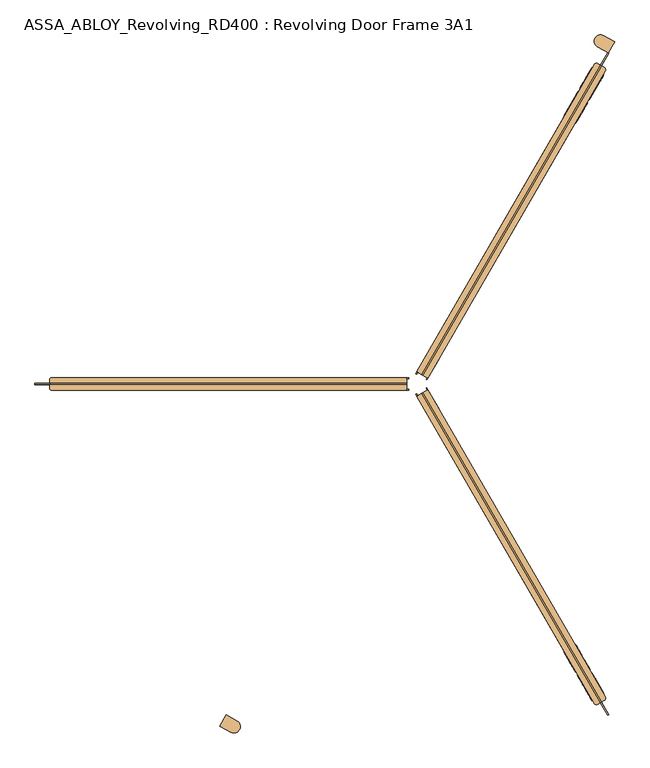
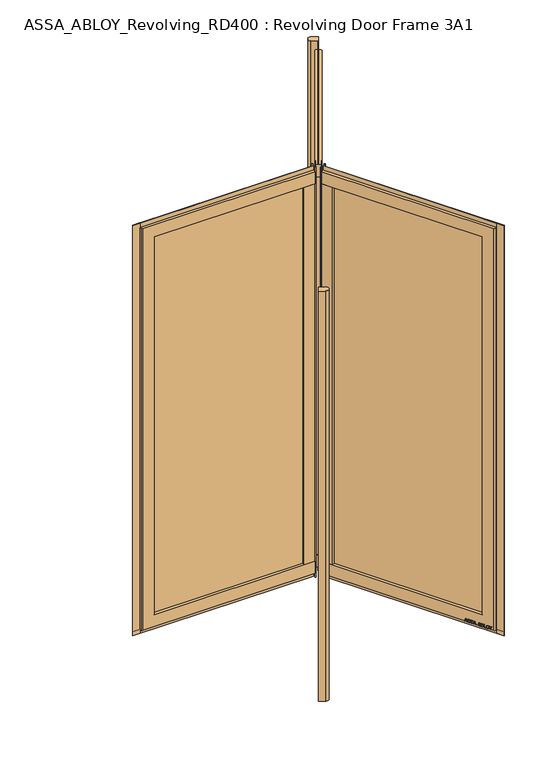
"""IFC4 building model written with IfcOpenShell, lengths in millimetres: door geometry, ASSA_ABLOY_Revolving_RD400 : Revolving Door Frame 3A1."""

from ifc_helpers import new_model, si_unit, point, frame, frame_2d, origin, origin_with_axes, origin_2d, place, context, project, spatial, polyline, circle_curve, trimmed, segment, composite_curve, outline, extrude, source, transform, mapped, element, save
from ifc_brep_helpers import plane_surface, cylinder_surface, advanced_brep


def assa_abloy_revolving_rd400_revolving_door_frame_3a1_4a8f42af(model_context):
    return source(origin(), model_context, "Body", "SolidModel", [
        extrude(outline(composite_curve([segment(trimmed(circle_curve(origin_2d(), 1200.0), [point((-600.0, -1039.2304845))], [point((-565.0255579, -1058.6529738))], True, "CARTESIAN"), True, "CONTINUOUS"), segment(trimmed(circle_curve(frame_2d((-575.5902563, -1075.6598792)), 20.0211809), [point((-565.0255579, -1058.6529738))], [point((-585.0363192, -1093.3126292))], False, "CARTESIAN"), True, "CONTINUOUS"), segment(trimmed(circle_curve(origin_2d(), 1240.0), [point((-585.0363192, -1093.3126292))], [point((-620.0, -1073.8715007))], False, "CARTESIAN"), True, "CONTINUOUS"), segment(polyline([(-620.0, -1073.8715007), (-600.0, -1039.2304845)]), True, "CONTINUOUS")], self_intersect=False)), origin_with_axes(), (0.0, 0.0, 1.0), 2800.0),
        extrude(outline(composite_curve([segment(trimmed(circle_curve(origin_2d(), 1200.0), [point((600.0, 1039.2304845))], [point((565.0255579, 1058.6529738))], True, "CARTESIAN"), True, "CONTINUOUS"), segment(trimmed(circle_curve(frame_2d((575.5902563, 1075.6598792)), 20.0211809), [point((565.0255579, 1058.6529738))], [point((585.0363192, 1093.3126292))], False, "CARTESIAN"), True, "CONTINUOUS"), segment(trimmed(circle_curve(origin_2d(), 1240.0), [point((585.0363192, 1093.3126292))], [point((620.0, 1073.8715007))], False, "CARTESIAN"), True, "CONTINUOUS"), segment(polyline([(620.0, 1073.8715007), (600.0, 1039.2304845)]), True, "CONTINUOUS")], self_intersect=False)), origin_with_axes(), (0.0, 0.0, 1.0), 2800.0),
        advanced_brep(
        [(-0.8205081, -38.5788383, 28.0), (33.8205081, -18.5788383, 28.0), (590.3205081, -982.4651127, 28.0), (587.3923048, -993.393316, 28.0), (566.6076952, -1005.393316, 28.0), (555.6794919, -1002.4651127, 28.0), (-0.8205081, -38.5788383, 110.0), (518.6794919, -938.3792329, 110.0), (553.3205081, -918.3792329, 110.0), (33.8205081, -18.5788383, 110.0), (33.8205081, -18.5788383, 2689.0), (-0.8205081, -38.5788383, 2689.0), (-0.8205081, -38.5788383, 2771.0), (33.8205081, -18.5788383, 2771.0), (553.3205081, -918.3792329, 2689.0), (518.6794919, -938.3792329, 2689.0), (587.3923048, -993.393316, 2771.0), (566.6076952, -1005.393316, 2771.0), (555.6794919, -1002.4651127, 2771.0), (590.3205081, -982.4651127, 2771.0)],
        [
            (0, 1),
            (1, 2),
            (2, 3, circle_curve(frame((583.3923048, -986.4651127, 28.0), z_axis=(0.0, 0.0, -1.0), x_axis=(-0.8660254037844367, -0.5000000000000033, 0.0)), 8.0)),
            (3, 4),
            (4, 5, circle_curve(frame((562.6076952, -998.4651127, 28.0), z_axis=(0.0, 0.0, -1.0), x_axis=(-0.8660254037844367, -0.5000000000000033, 0.0)), 8.0)),
            (5, 0),
            (6, 7),
            (7, 8),
            (8, 9),
            (9, 6),
            (10, 11),
            (11, 12),
            (12, 13),
            (13, 10),
            (10, 14),
            (14, 15),
            (15, 11),
            (7, 15),
            (14, 8),
            (16, 17),
            (17, 4),
            (3, 16),
            (17, 18, circle_curve(frame((562.6076952, -998.4651127, 2771.0), z_axis=(0.0, 0.0, -1.0), x_axis=(-0.8660254037844367, -0.5000000000000033, 0.0)), 8.0)),
            (18, 5),
            (19, 16, circle_curve(frame((583.3923048, -986.4651127, 2771.0), z_axis=(0.0, 0.0, -1.0), x_axis=(-0.8660254037844367, -0.5000000000000033, 0.0)), 8.0)),
            (2, 19),
            (6, 0),
            (18, 12),
            (1, 9),
            (13, 19),
        ],
        [
            plane_surface(frame((518.6794919, -938.3792329, 28.0), z_axis=(0.0, 0.0, -1.0), x_axis=(-0.5000000000000033, 0.8660254037844367, 0.0))),
            plane_surface(frame((553.3205081, -918.3792329, 110.0), z_axis=(0.0, 0.0, 1.0), x_axis=(-0.5000000000000033, 0.8660254037844367, 0.0))),
            plane_surface(frame((16.5, -28.5788383, 2771.0), z_axis=(-0.5000000000000033, 0.8660254037844367, 0.0), x_axis=(-0.8660254037844367, -0.5000000000000033, 0.0))),
            plane_surface(frame((33.8205081, -18.5788383, 2689.0), z_axis=(0.0, 0.0, -1.0), x_axis=(0.5000000000000033, -0.8660254037844367, 0.0))),
            plane_surface(frame((553.3205081, -918.3792329, 2771.0), z_axis=(-0.5000000000000033, 0.8660254037844367, 0.0), x_axis=(0.0, 0.0, -1.0))),
            plane_surface(frame((566.6076952, -1005.393316, 2771.0), z_axis=(0.5000000000000033, -0.8660254037844367, 0.0), x_axis=(0.0, 0.0, -1.0))),
            cylinder_surface(frame((562.6076952, -998.4651127, 2771.0), z_axis=(0.0, 0.0, 1.0), x_axis=(-0.8660254037844367, -0.5000000000000033, 0.0)), 8.0),
            cylinder_surface(frame((583.3923048, -986.4651127, 2771.0), z_axis=(0.0, 0.0, 1.0), x_axis=(-0.8660254037844367, -0.5000000000000033, 0.0)), 8.0),
            plane_surface(frame((518.6794919, -938.3792329, 110.0), z_axis=(-0.8660254037844367, -0.5000000000000033, 0.0), x_axis=(-0.5000000000000033, 0.8660254037844367, 0.0))),
            plane_surface(frame((553.3205081, -918.3792329, 28.0), z_axis=(0.8660254037844367, 0.5000000000000033, 0.0), x_axis=(-0.5000000000000033, 0.8660254037844367, 0.0))),
            plane_surface(frame((16.5, -28.5788383, 28.0), z_axis=(-0.5000000000000033, 0.8660254037844367, 0.0), x_axis=(-0.8660254037844367, -0.5000000000000033, 0.0))),
            plane_surface(frame((577.0, -999.393316, 2771.0), z_axis=(0.0, 0.0, 1.0), x_axis=(-0.8660254037844367, -0.5000000000000033, 0.0))),
        ],
        [
            (0, [[1, 2, 3, 4, 5, 6]]),
            (1, [[7, 8, 9, 10]]),
            (2, [[11, 12, 13, 14]]),
            (3, [[-11, 15, 16, 17]]),
            (4, [[-8, 18, -16, 19]]),
            (5, [[20, 21, -4, 22]]),
            (6, [[23, 24, -5, -21]]),
            (7, [[25, -22, -3, 26]]),
            (8, [[-7, 27, -6, -24, 28, -12, -17, -18]]),
            (9, [[29, -9, -19, -15, -14, 30, -26, -2]]),
            (10, [[-27, -10, -29, -1]]),
            (11, [[-28, -23, -20, -25, -30, -13]]),
        ],
    ),
        extrude(outline(polyline([(31.2224319, -20.0788383), (27.7224319, -14.0166605), (30.3205081, -12.5166605), (33.8205081, -18.5788383), (31.2224319, -20.0788383)])), origin_with_axes(), (0.0, 0.0, 1.0), 2800.0),
        extrude(outline(polyline([(68.8205081, -79.2006166), (34.1794919, -99.2006166), (-0.8205081, -38.5788383), (33.8205081, -18.5788383), (68.8205081, -79.2006166)])), frame((0.0, 0.0, 110.0), z_axis=(0.0, 0.0, 1.0), x_axis=(1.0, 0.0, 0.0)), (0.0, 0.0, 1.0), 2579.0),
        extrude(outline(polyline([(598.4844586, -1040.1054828), (575.4844586, -1000.2683142), (578.5155414, -998.5183177), (601.5155414, -1038.3554863), (598.4844586, -1040.1054828)])), origin_with_axes(), (0.0, 0.0, 1.0), 2800.0),
        extrude(outline(polyline([(598.4844586, -1040.1054828), (14.9844586, -29.4538366), (18.0155414, -27.7038401), (601.5155414, -1038.3554863), (598.4844586, -1040.1054828)])), frame((0.0, 0.0, 2770.0), z_axis=(0.0, 0.0, 1.0), x_axis=(1.0, 0.0, 0.0)), (0.0, 0.0, 1.0), 30.0),
        extrude(outline(polyline([(-1.7224319, -31.0166605), (1.7775681, -37.0788383), (-0.8205081, -38.5788383), (-4.3205081, -32.5166605), (-1.7224319, -31.0166605)])), origin_with_axes(), (0.0, 0.0, 1.0), 2800.0),
        extrude(outline(polyline([(534.4844586, -929.2542311), (49.9844586, -90.0756148), (53.0155414, -88.3256183), (537.5155414, -927.5042346), (534.4844586, -929.2542311)])), frame((0.0, 0.0, 110.0), z_axis=(0.0, 0.0, 1.0), x_axis=(1.0, 0.0, 0.0)), (0.0, 0.0, 1.0), 2579.0),
        extrude(outline(polyline([(598.4844586, -1040.1054828), (14.9844586, -29.4538366), (18.0155414, -27.7038401), (601.5155414, -1038.3554863), (598.4844586, -1040.1054828)])), frame((0.0, 0.0, -2.0), z_axis=(0.0, 0.0, 1.0), x_axis=(1.0, 0.0, 0.0)), (0.0, 0.0, 1.0), 30.0),
        extrude(outline(polyline([(21.1919362, 0.0), (20.214336, -2.6529929), (14.2348715, -2.5853724), (11.2716326, -10.6269535), (15.8652681, -14.4554102), (14.8894584, -17.1035442), (-1.2354289, -3.3526834), (0.0, 0.0), (21.1919362, 0.0)]), holes=[polyline([(11.7626281, -2.5849675), (1.6611384, -2.5160752), (9.3848751, -9.0376682), (11.7626281, -2.5849675)])]), frame((578.7045871, -962.3457474, 47.8848654), z_axis=(0.8660254037844431, 0.499999999999992, 0.0), x_axis=(-0.17288098849125136, 0.299438655729584, -0.9383222555567717)), (0.0, 0.0, 1.0), 2.0),
        extrude(outline(polyline([(3.5121291, 0.0), (5.4926863, -1.2764387), (6.787432, -3.3659463), (7.2092232, -6.1919012), (6.5093631, -9.6341389), (4.8247981, -13.2083906), (2.5145629, -16.157079), (-0.6567352, -15.0446471), (2.4447822, -12.1320669), (4.3562345, -8.7636201), (4.8029446, -4.7524081), (2.9863484, -2.6252693), (0.9295188, -2.6144293), (-0.6628891, -4.2207409), (-1.8238571, -6.2006453), (-3.0893834, -8.4786224), (-6.2388816, -11.6844271), (-9.9996043, -11.7673438), (-13.1300796, -8.3561656), (-12.7977466, -2.5981571), (-11.0920114, 1.0208017), (-9.0699596, 3.7111349), (-6.0403681, 2.648411), (-8.71119, 0.0484616), (-10.6514742, -3.4882218), (-11.0208469, -7.16163), (-9.3614355, -9.1814983), (-7.3063201, -9.1972245), (-5.5118807, -7.3434952), (-4.250422, -5.1162244), (-2.8187321, -2.6852579), (0.0, 0.0), (3.5121291, 0.0)])), frame((566.8396918, -941.7951459, 36.999973), z_axis=(0.8660254037844434, 0.49999999999999223, 0.0), x_axis=(-0.1655035508100835, 0.2866605588361279, -0.9436282629706536)), (0.0, 0.0, 1.0), 2.0),
        extrude(outline(polyline([(3.5121291, 0.0), (5.4926863, -1.2764387), (6.787432, -3.3659463), (7.2092232, -6.1919012), (6.5093631, -9.6341389), (4.8247981, -13.2083906), (2.5145629, -16.157079), (-0.6567352, -15.0446471), (2.4447822, -12.1320669), (4.3562345, -8.7636201), (4.8029446, -4.7524081), (2.9863484, -2.6252693), (0.9295188, -2.6144294), (-0.6628891, -4.2207409), (-1.8238571, -6.2006453), (-3.0893834, -8.4786224), (-6.2388816, -11.6844271), (-9.9996043, -11.7673438), (-13.1300796, -8.3561656), (-12.7977466, -2.5981572), (-11.0920114, 1.0208017), (-9.0699596, 3.7111349), (-6.0403681, 2.648411), (-8.71119, 0.0484616), (-10.6514742, -3.4882218), (-11.0208469, -7.16163), (-9.3614355, -9.1814983), (-7.3063201, -9.1972245), (-5.5118808, -7.3434952), (-4.250422, -5.1162244), (-2.8187321, -2.6852579), (0.0, 0.0), (3.5121291, 0.0)])), frame((557.3943807, -925.4353872, 36.999973), z_axis=(0.8660254037844433, 0.4999999999999921, 0.0), x_axis=(-0.1655035508100878, 0.28666055883613534, -0.9436282629706506)), (0.0, 0.0, 1.0), 2.0),
        extrude(outline(polyline([(21.1919362, 0.0), (20.214336, -2.6529929), (14.2348715, -2.5853724), (11.2716326, -10.6269536), (15.8652681, -14.4554102), (14.8894584, -17.1035442), (-1.2354289, -3.3526834), (0.0, 0.0), (21.1919362, 0.0)]), holes=[polyline([(11.7626281, -2.5849675), (1.6611384, -2.5160752), (9.3848751, -9.0376682), (11.7626281, -2.5849675)])]), frame((550.3686538, -913.2664713, 47.8848654), z_axis=(0.8660254037844431, 0.499999999999992, 0.0), x_axis=(-0.17288098849125136, 0.299438655729584, -0.9383222555567717)), (0.0, 0.0, 1.0), 2.0),
        extrude(outline(polyline([(21.1919362, 0.0), (20.214336, -2.6529929), (14.2348715, -2.5853723), (11.2716326, -10.6269536), (15.8652681, -14.4554102), (14.8894584, -17.1035442), (-1.2354289, -3.3526834), (0.0, 0.0), (21.1919362, 0.0)]), holes=[polyline([(11.7626281, -2.5849675), (1.6611384, -2.5160752), (9.3848751, -9.0376682), (11.7626281, -2.5849675)])]), frame((536.1178336, -888.5833266, 47.8848654), z_axis=(0.8660254037844431, 0.499999999999992, 0.0), x_axis=(-0.17288098849125136, 0.299438655729584, -0.9383222555567717)), (0.0, 0.0, 1.0), 2.0),
        extrude(outline(polyline([(3.6247797, 0.0), (5.9232413, -1.3859292), (7.2049821, -3.4426963), (7.5842828, -6.2202288), (6.8194358, -9.6251298), (4.5055294, -16.4081519), (-14.3144162, -9.9880648), (-12.3716711, -4.2930708), (-11.1479956, -1.1951535), (-9.8352433, 0.5920774), (-7.9241126, 1.6554025), (-5.7320771, 1.441087), (-3.7068838, -0.0321766), (-2.8147562, -2.4211002), (0.0, 0.0), (3.6247797, 0.0)]), holes=[polyline([(-5.2214253, -2.9241786), (-9.3653605, -2.9303687), (-10.1960736, -5.1008933), (-11.2627443, -8.2277488), (-5.9304264, -10.0467735), (-4.7734732, -6.6552625), (-5.2214253, -2.9241786)]), polyline([(2.8765907, -2.5461078), (0.9746905, -2.291247), (-0.5832315, -3.1932875), (-1.5099769, -4.5787396), (-2.347091, -6.7279309), (-3.734766, -10.7957837), (3.1658807, -13.1498156), (4.3362091, -9.7190963), (5.1175974, -6.8751817), (5.1102534, -4.8838351), (4.3679308, -3.4351117), (2.8765907, -2.5461078)])]), frame((523.9254076, -867.4654254, 37.561824), z_axis=(0.8660254037844433, 0.4999999999999922, 0.0), x_axis=(-0.1614314953418267, 0.27960755187386827, -0.9464457138403681)), (0.0, 0.0, 1.0), 2.0),
        extrude(outline(polyline([(2.319901, 0.0), (2.319901, -12.5937481), (-17.5649644, -12.5937481), (-17.5649644, -9.9424327), (0.0, -9.9424327), (0.0, 0.0), (2.319901, 0.0)])), frame((515.2206006, -852.3882574, 30.319901), z_axis=(0.8660254037844433, 0.49999999999999206, 0.0), x_axis=(0.0, 0.0, -1.0)), (0.0, 0.0, 1.0), 2.0),
        extrude(outline(polyline([(3.4755123, 1e-07), (6.8343334, -1.6217536), (9.8417791, -4.8358203), (11.7934803, -8.7947163), (12.1283677, -12.475947), (10.9175763, -15.7640054), (8.2007387, -18.4707048), (4.7147758, -20.0502835), (1.2097864, -20.048671), (-2.1257686, -18.4422905), (-5.1361655, -15.2239686), (-7.0812775, -11.3109181), (-7.4345587, -7.5668216), (-6.1998493, -4.2905332), (-3.5095376, -1.5864763), (0.0, 0.0), (3.4755123, 1e-07)]), holes=[polyline([(7.663169, -6.3468237), (2.8864763, -2.494471), (-2.1788994, -3.4868578), (-4.8960977, -7.8921764), (-2.9575554, -13.7129652), (1.8513939, -17.5618518), (6.887121, -16.5585186), (9.5892894, -12.1951337), (7.663169, -6.3468237)])]), frame((507.9437238, -839.784337, 47.5197917), z_axis=(0.8660254037844433, 0.4999999999999921, 0.0), x_axis=(-0.41085457557085336, 0.71162099941088, -0.5699070721880493)), (0.0, 0.0, 1.0), 2.0),
        extrude(outline(polyline([(3.1691504, 0.0), (-4.1219669, -11.1645234), (-4.1219669, -19.8848654), (-6.7732823, -19.8848654), (-6.7732823, -11.4441543), (-14.0643996, 0.0), (-10.921141, 0.0), (-5.4320895, -8.8964059), (0.0, 0.0), (3.1691504, 0.0)])), frame((497.417432, -821.5522649, 47.8848654), z_axis=(0.8660254037844433, 0.49999999999999206, 0.0), x_axis=(-0.49999999999999206, 0.8660254037844433, 0.0)), (0.0, 0.0, 1.0), 2.0),
        extrude(outline(polyline([(-21.1919362, 0.0), (0.0, 0.0), (1.2354289, -3.3526834), (-14.8894584, -17.1035442), (-15.8652681, -14.4554102), (-11.2716326, -10.6269536), (-14.2348715, -2.5853724), (-20.214336, -2.6529929), (-21.1919362, 0.0)]), holes=[polyline([(-11.7626281, -2.5849675), (-9.3848751, -9.0376682), (-1.6611384, -2.5160753), (-11.7626281, -2.5849675)])]), frame((465.2414181, -849.8217739, 47.8848654), z_axis=(0.86602540378444, 0.49999999999999767, 0.0), x_axis=(-0.17288098849125333, 0.299438655729583, 0.9383222555567716)), (0.0, 0.0, 1.0), 2.0),
        extrude(outline(polyline([(-3.5121291, -1e-07), (0.0, 0.0), (2.8187321, -2.6852579), (4.250422, -5.1162245), (5.5118808, -7.3434953), (7.3063201, -9.1972246), (9.3614355, -9.1814983), (11.0208469, -7.1616301), (10.6514742, -3.4882218), (8.71119, 0.0484616), (6.0403681, 2.648411), (9.0699596, 3.7111349), (11.0920114, 1.0208016), (12.7977466, -2.5981572), (13.1300796, -8.3561656), (9.9996044, -11.7673439), (6.2388816, -11.6844271), (3.0893834, -8.4786224), (1.8238571, -6.2006453), (0.6628891, -4.2207409), (-0.9295188, -2.6144294), (-2.9863484, -2.6252693), (-4.8029446, -4.7524082), (-4.3562345, -8.7636201), (-2.4447822, -12.1320669), (0.6567353, -15.0446472), (-2.5145628, -16.1570792), (-4.824798, -13.2083907), (-6.5093631, -9.6341389), (-7.2092231, -6.1919012), (-6.787432, -3.3659464), (-5.4926863, -1.2764388), (-3.5121291, -1e-07)])), frame((477.1063134, -870.3723754, 36.999973), z_axis=(0.86602540378444, 0.4999999999999977, 0.0), x_axis=(-0.16550355081008533, 0.28666055883612684, 0.9436282629706536)), (0.0, 0.0, 1.0), 2.0),
        extrude(outline(polyline([(-3.5121291, -1e-07), (0.0, 0.0), (2.8187321, -2.6852579), (4.250422, -5.1162245), (5.5118808, -7.3434953), (7.3063201, -9.1972246), (9.3614355, -9.1814983), (11.0208469, -7.1616301), (10.6514742, -3.4882218), (8.71119, 0.0484616), (6.0403681, 2.648411), (9.0699596, 3.7111349), (11.0920114, 1.0208016), (12.7977466, -2.5981572), (13.1300796, -8.3561656), (9.9996044, -11.7673439), (6.2388816, -11.6844271), (3.0893834, -8.4786224), (1.8238571, -6.2006453), (0.6628891, -4.2207409), (-0.9295188, -2.6144294), (-2.9863484, -2.6252693), (-4.8029446, -4.7524082), (-4.3562345, -8.7636201), (-2.4447822, -12.1320669), (0.6567353, -15.0446472), (-2.5145628, -16.1570792), (-4.824798, -13.2083907), (-6.5093631, -9.6341389), (-7.2092231, -6.1919012), (-6.787432, -3.3659464), (-5.4926863, -1.2764388), (-3.5121291, -1e-07)])), frame((486.5516245, -886.7321341, 36.999973), z_axis=(0.86602540378444, 0.4999999999999977, 0.0), x_axis=(-0.16550355081008533, 0.28666055883612684, 0.9436282629706536)), (0.0, 0.0, 1.0), 2.0),
        extrude(outline(polyline([(-21.1919362, 0.0), (0.0, 0.0), (1.2354289, -3.3526834), (-14.8894584, -17.1035441), (-15.8652681, -14.4554102), (-11.2716326, -10.6269536), (-14.2348715, -2.5853723), (-20.214336, -2.6529929), (-21.1919362, 0.0)]), holes=[polyline([(-11.7626281, -2.5849674), (-9.3848751, -9.0376682), (-1.6611384, -2.5160753), (-11.7626281, -2.5849674)])]), frame((493.5773513, -898.90105, 47.8848654), z_axis=(0.86602540378444, 0.49999999999999767, 0.0), x_axis=(-0.17288098849125333, 0.299438655729583, 0.9383222555567716)), (0.0, 0.0, 1.0), 2.0),
        extrude(outline(polyline([(-21.1919362, 0.0), (0.0, 0.0), (1.2354289, -3.3526834), (-14.8894584, -17.1035442), (-15.8652681, -14.4554102), (-11.2716326, -10.6269536), (-14.2348715, -2.5853724), (-20.214336, -2.6529929), (-21.1919362, 0.0)]), holes=[polyline([(-11.7626281, -2.5849675), (-9.3848751, -9.0376682), (-1.6611384, -2.5160753), (-11.7626281, -2.5849675)])]), frame((507.8281716, -923.5841947, 47.8848654), z_axis=(0.86602540378444, 0.49999999999999767, 0.0), x_axis=(-0.17288098849125333, 0.299438655729583, 0.9383222555567716)), (0.0, 0.0, 1.0), 2.0),
        extrude(outline(polyline([(-3.6247797, 0.0), (0.0, 0.0), (2.8147562, -2.4211002), (3.7068839, -0.0321766), (5.7320771, 1.441087), (7.9241126, 1.6554025), (9.8352432, 0.5920774), (11.1479955, -1.1951534), (12.3716711, -4.2930708), (14.3144162, -9.9880647), (-4.5055294, -16.4081518), (-6.8194358, -9.6251298), (-7.5842828, -6.2202288), (-7.2049821, -3.4426962), (-5.9232413, -1.3859292), (-3.6247797, 0.0)]), holes=[polyline([(5.2214253, -2.9241787), (4.7734732, -6.6552624), (5.9304264, -10.0467734), (11.2627443, -8.2277488), (10.1960736, -5.1008933), (9.3653605, -2.9303687), (5.2214253, -2.9241787)]), polyline([(-2.8765907, -2.5461078), (-4.3679308, -3.4351116), (-5.1102534, -4.8838351), (-5.1175975, -6.8751817), (-4.3362091, -9.7190964), (-3.1658807, -13.1498156), (3.734766, -10.7957836), (2.347091, -6.7279308), (1.5099769, -4.5787396), (0.5832315, -3.1932875), (-0.9746905, -2.291247), (-2.8765907, -2.5461078)])]), frame((520.0205975, -944.7020959, 37.561824), z_axis=(0.8660254037844402, 0.4999999999999977, 0.0), x_axis=(-0.1614314953418285, 0.2796075518738672, 0.9464457138403681)), (0.0, 0.0, 1.0), 2.0),
        extrude(outline(polyline([(-2.319901, 0.0), (0.0, 0.0), (0.0, -9.9424327), (17.5649644, -9.9424327), (17.5649644, -12.5937481), (-2.319901, -12.5937481), (-2.319901, 0.0)])), frame((528.7254045, -959.7792639, 30.319901), z_axis=(0.86602540378444, 0.49999999999999767, 0.0), x_axis=(0.0, 0.0, 1.0)), (0.0, 0.0, 1.0), 2.0),
        extrude(outline(polyline([(-3.4755122, 0.0), (0.0, 0.0), (3.5095376, -1.5864763), (6.1998493, -4.2905332), (7.4345587, -7.5668217), (7.0812776, -11.3109182), (5.1361655, -15.2239686), (2.1257687, -18.4422905), (-1.2097864, -20.048671), (-4.7147758, -20.0502835), (-8.2007387, -18.4707048), (-10.9175762, -15.7640054), (-12.1283676, -12.475947), (-11.7934802, -8.7947164), (-9.8417791, -4.8358203), (-6.8343334, -1.6217536), (-3.4755122, 0.0)]), holes=[polyline([(-7.6631689, -6.3468237), (-9.5892894, -12.1951337), (-6.8871209, -16.5585186), (-1.8513938, -17.5618518), (2.9575554, -13.7129652), (4.8960978, -7.8921765), (2.1788995, -3.4868579), (-2.8864763, -2.494471), (-7.6631689, -6.3468237)])]), frame((536.0022814, -972.3831843, 47.5197917), z_axis=(0.8660254037844402, 0.49999999999999767, 0.0), x_axis=(-0.41085457557085897, 0.7116209994108791, 0.5699070721880464)), (0.0, 0.0, 1.0), 2.0),
        extrude(outline(polyline([(-3.1691504, 0.0), (0.0, 0.0), (5.4320895, -8.8964059), (10.921141, 0.0), (14.0643996, 0.0), (6.7732822, -11.4441543), (6.7732822, -19.8848654), (4.1219668, -19.8848654), (4.1219668, -11.1645234), (-3.1691504, 0.0)])), frame((546.5285731, -990.6152564, 47.8848654), z_axis=(0.86602540378444, 0.49999999999999767, 0.0), x_axis=(-0.49999999999999767, 0.86602540378444, 0.0)), (0.0, 0.0, 1.0), 2.0),
        advanced_brep(
        [(33.8205081, 18.5788383, 28.0), (-0.8205081, 38.5788383, 28.0), (555.6794919, 1002.4651127, 28.0), (566.6076952, 1005.393316, 28.0), (587.3923048, 993.393316, 28.0), (590.3205081, 982.4651127, 28.0), (33.8205081, 18.5788383, 110.0), (553.3205081, 918.3792329, 110.0), (518.6794919, 938.3792329, 110.0), (-0.8205081, 38.5788383, 110.0), (-0.8205081, 38.5788383, 2689.0), (33.8205081, 18.5788383, 2689.0), (33.8205081, 18.5788383, 2771.0), (-0.8205081, 38.5788383, 2771.0), (518.6794919, 938.3792329, 2689.0), (553.3205081, 918.3792329, 2689.0), (566.6076952, 1005.393316, 2771.0), (587.3923048, 993.393316, 2771.0), (590.3205081, 982.4651127, 2771.0), (555.6794919, 1002.4651127, 2771.0)],
        [
            (0, 1),
            (1, 2),
            (2, 3, circle_curve(frame((562.6076952, 998.4651127, 28.0), z_axis=(0.0, 0.0, -1.0), x_axis=(0.8660254037844428, -0.49999999999999295, 0.0)), 8.0)),
            (3, 4),
            (4, 5, circle_curve(frame((583.3923048, 986.4651127, 28.0), z_axis=(0.0, 0.0, -1.0), x_axis=(0.8660254037844428, -0.49999999999999295, 0.0)), 8.0)),
            (5, 0),
            (6, 7),
            (7, 8),
            (8, 9),
            (9, 6),
            (10, 11),
            (11, 12),
            (12, 13),
            (13, 10),
            (10, 14),
            (14, 15),
            (15, 11),
            (7, 15),
            (14, 8),
            (16, 17),
            (17, 4),
            (3, 16),
            (17, 18, circle_curve(frame((583.3923048, 986.4651127, 2771.0), z_axis=(0.0, 0.0, -1.0), x_axis=(0.8660254037844428, -0.49999999999999295, 0.0)), 8.0)),
            (18, 5),
            (19, 16, circle_curve(frame((562.6076952, 998.4651127, 2771.0), z_axis=(0.0, 0.0, -1.0), x_axis=(0.8660254037844428, -0.49999999999999295, 0.0)), 8.0)),
            (2, 19),
            (6, 0),
            (18, 12),
            (1, 9),
            (13, 19),
        ],
        [
            plane_surface(frame((553.3205081, 918.3792329, 28.0), z_axis=(0.0, 0.0, -1.0000000000000002), x_axis=(-0.49999999999999295, -0.8660254037844428, 0.0))),
            plane_surface(frame((518.6794919, 938.3792329, 110.0), z_axis=(0.0, 0.0, 1.0000000000000002), x_axis=(-0.49999999999999295, -0.8660254037844428, 0.0))),
            plane_surface(frame((16.5, 28.5788383, 2771.0), z_axis=(-0.49999999999999295, -0.8660254037844428, 0.0), x_axis=(0.8660254037844428, -0.49999999999999295, 0.0))),
            plane_surface(frame((-0.8205081, 38.5788383, 2689.0), z_axis=(0.0, 0.0, -1.0000000000000002), x_axis=(0.49999999999999295, 0.8660254037844428, 0.0))),
            plane_surface(frame((518.6794919, 938.3792329, 2771.0), z_axis=(-0.49999999999999295, -0.8660254037844428, 0.0), x_axis=(0.0, 0.0, -1.0))),
            plane_surface(frame((587.3923048, 993.393316, 2771.0), z_axis=(0.49999999999999295, 0.8660254037844428, 0.0), x_axis=(0.0, 0.0, -1.0))),
            cylinder_surface(frame((583.3923048, 986.4651127, 2771.0), z_axis=(0.0, 0.0, 1.0), x_axis=(0.8660254037844428, -0.49999999999999295, 0.0)), 8.0),
            cylinder_surface(frame((562.6076952, 998.4651127, 2771.0), z_axis=(0.0, 0.0, 1.0), x_axis=(0.8660254037844428, -0.49999999999999295, 0.0)), 8.0),
            plane_surface(frame((553.3205081, 918.3792329, 110.0), z_axis=(0.8660254037844428, -0.49999999999999295, 0.0), x_axis=(-0.49999999999999295, -0.8660254037844428, 0.0))),
            plane_surface(frame((518.6794919, 938.3792329, 28.0), z_axis=(-0.8660254037844428, 0.49999999999999295, 0.0), x_axis=(-0.49999999999999295, -0.8660254037844428, 0.0))),
            plane_surface(frame((16.5, 28.5788383, 28.0), z_axis=(-0.49999999999999295, -0.8660254037844428, 0.0), x_axis=(0.8660254037844428, -0.49999999999999295, 0.0))),
            plane_surface(frame((577.0, 999.393316, 2771.0), z_axis=(0.0, 0.0, 1.0000000000000002), x_axis=(0.8660254037844428, -0.49999999999999295, 0.0))),
        ],
        [
            (0, [[1, 2, 3, 4, 5, 6]]),
            (1, [[7, 8, 9, 10]]),
            (2, [[11, 12, 13, 14]]),
            (3, [[-11, 15, 16, 17]]),
            (4, [[-8, 18, -16, 19]]),
            (5, [[20, 21, -4, 22]]),
            (6, [[23, 24, -5, -21]]),
            (7, [[25, -22, -3, 26]]),
            (8, [[-7, 27, -6, -24, 28, -12, -17, -18]]),
            (9, [[29, -9, -19, -15, -14, 30, -26, -2]]),
            (10, [[-27, -10, -29, -1]]),
            (11, [[-28, -23, -20, -25, -30, -13]]),
        ],
    ),
        extrude(outline(polyline([(1.7775681, 37.0788383), (-1.7224319, 31.0166605), (-4.3205081, 32.5166605), (-0.8205081, 38.5788383), (1.7775681, 37.0788383)])), origin_with_axes(), (0.0, 0.0, 1.0), 2800.0),
        extrude(outline(polyline([(34.1794919, 99.2006166), (68.8205081, 79.2006166), (33.8205081, 18.5788383), (-0.8205081, 38.5788383), (34.1794919, 99.2006166)])), frame((0.0, 0.0, 110.0), z_axis=(0.0, 0.0, 1.0), x_axis=(1.0, 0.0, 0.0)), (0.0, 0.0, 1.0), 2579.0),
        extrude(outline(polyline([(601.5155414, 1038.3554863), (578.5155414, 998.5183177), (575.4844586, 1000.2683142), (598.4844586, 1040.1054828), (601.5155414, 1038.3554863)])), origin_with_axes(), (0.0, 0.0, 1.0), 2800.0),
        extrude(outline(polyline([(601.5155414, 1038.3554863), (18.0155414, 27.7038401), (14.9844586, 29.4538366), (598.4844586, 1040.1054828), (601.5155414, 1038.3554863)])), frame((0.0, 0.0, 2770.0), z_axis=(0.0, 0.0, 1.0), x_axis=(1.0, 0.0, 0.0)), (0.0, 0.0, 1.0), 30.0),
        extrude(outline(polyline([(27.7224319, 14.0166605), (31.2224319, 20.0788383), (33.8205081, 18.5788383), (30.3205081, 12.5166605), (27.7224319, 14.0166605)])), origin_with_axes(), (0.0, 0.0, 1.0), 2800.0),
        extrude(outline(polyline([(537.5155414, 927.5042346), (53.0155414, 88.3256183), (49.9844586, 90.0756148), (534.4844586, 929.2542311), (537.5155414, 927.5042346)])), frame((0.0, 0.0, 110.0), z_axis=(0.0, 0.0, 1.0), x_axis=(1.0, 0.0, 0.0)), (0.0, 0.0, 1.0), 2579.0),
        extrude(outline(polyline([(601.5155414, 1038.3554863), (18.0155414, 27.7038401), (14.9844586, 29.4538366), (598.4844586, 1040.1054828), (601.5155414, 1038.3554863)])), frame((0.0, 0.0, -2.0), z_axis=(0.0, 0.0, 1.0), x_axis=(1.0, 0.0, 0.0)), (0.0, 0.0, 1.0), 30.0),
        extrude(outline(polyline([(21.1919362, 0.0), (20.214336, -2.6529929), (14.2348715, -2.5853724), (11.2716326, -10.6269535), (15.8652681, -14.4554102), (14.8894584, -17.1035442), (-1.2354289, -3.3526834), (0.0, 0.0), (21.1919362, 0.0)]), holes=[polyline([(11.7626281, -2.5849675), (1.6611384, -2.5160752), (9.3848751, -9.0376682), (11.7626281, -2.5849675)])]), frame((544.0635709, 982.3457474, 47.8848654), z_axis=(-0.8660254037844363, 0.5000000000000042, 0.0), x_axis=(-0.17288098849125555, -0.29943865572958167, -0.9383222555567717)), (0.0, 0.0, 1.0), 2.0),
        extrude(outline(polyline([(3.5121291, 0.0), (5.4926863, -1.2764387), (6.787432, -3.3659464), (7.2092231, -6.1919012), (6.5093631, -9.6341389), (4.824798, -13.2083907), (2.5145629, -16.1570791), (-0.6567353, -15.0446472), (2.4447822, -12.1320669), (4.3562345, -8.7636201), (4.8029446, -4.7524082), (2.9863484, -2.6252693), (0.9295188, -2.6144294), (-0.6628891, -4.2207409), (-1.8238571, -6.2006453), (-3.0893834, -8.4786224), (-6.2388816, -11.6844271), (-9.9996043, -11.7673439), (-13.1300796, -8.3561656), (-12.7977466, -2.5981572), (-11.0920114, 1.0208016), (-9.0699596, 3.7111349), (-6.0403681, 2.648411), (-8.71119, 0.0484616), (-10.6514742, -3.4882218), (-11.0208469, -7.1616301), (-9.3614355, -9.1814983), (-7.3063201, -9.1972246), (-5.5118808, -7.3434952), (-4.250422, -5.1162245), (-2.8187321, -2.6852579), (0.0, 0.0), (3.5121291, 0.0)])), frame((532.1986756, 961.7951459, 36.999973), z_axis=(-0.8660254037844363, 0.5000000000000042, 0.0), x_axis=(-0.1655035508100875, -0.28666055883612557, -0.9436282629706536)), (0.0, 0.0, 1.0), 2.0),
        extrude(outline(polyline([(3.5121291, 0.0), (5.4926863, -1.2764387), (6.787432, -3.3659463), (7.2092232, -6.1919012), (6.5093631, -9.6341389), (4.8247981, -13.2083906), (2.5145629, -16.157079), (-0.6567352, -15.0446471), (2.4447822, -12.1320669), (4.3562345, -8.76362), (4.8029446, -4.7524081), (2.9863484, -2.6252692), (0.9295188, -2.6144293), (-0.6628891, -4.2207408), (-1.8238571, -6.2006452), (-3.0893834, -8.4786224), (-6.2388815, -11.6844271), (-9.9996043, -11.7673438), (-13.1300796, -8.3561655), (-12.7977466, -2.5981571), (-11.0920114, 1.0208017), (-9.0699595, 3.711135), (-6.0403681, 2.6484111), (-8.71119, 0.0484616), (-10.6514742, -3.4882218), (-11.0208469, -7.16163), (-9.3614355, -9.1814983), (-7.3063201, -9.1972245), (-5.5118807, -7.3434952), (-4.250422, -5.1162244), (-2.818732, -2.6852579), (0.0, 0.0), (3.5121291, 0.0)])), frame((522.7533646, 945.4353872, 36.999973), z_axis=(-0.8660254037844362, 0.5000000000000041, 0.0), x_axis=(-0.1655035508100918, -0.286660558836133, -0.9436282629706506)), (0.0, 0.0, 1.0), 2.0),
        extrude(outline(polyline([(21.1919362, 0.0), (20.214336, -2.6529929), (14.2348715, -2.5853723), (11.2716326, -10.6269536), (15.8652681, -14.4554102), (14.8894584, -17.1035441), (-1.2354289, -3.3526834), (0.0, 0.0), (21.1919362, 0.0)]), holes=[polyline([(11.7626281, -2.5849674), (1.6611384, -2.5160752), (9.3848751, -9.0376682), (11.7626281, -2.5849674)])]), frame((515.7276377, 933.2664713, 47.8848654), z_axis=(-0.8660254037844363, 0.5000000000000042, 0.0), x_axis=(-0.17288098849125555, -0.29943865572958167, -0.9383222555567717)), (0.0, 0.0, 1.0), 2.0),
        extrude(outline(polyline([(21.1919362, 0.0), (20.214336, -2.6529929), (14.2348715, -2.5853724), (11.2716326, -10.6269535), (15.8652681, -14.4554102), (14.8894584, -17.1035442), (-1.2354289, -3.3526834), (0.0, 0.0), (21.1919362, 0.0)]), holes=[polyline([(11.7626281, -2.5849675), (1.6611384, -2.5160752), (9.3848751, -9.0376682), (11.7626281, -2.5849675)])]), frame((501.4768174, 908.5833266, 47.8848654), z_axis=(-0.8660254037844363, 0.5000000000000042, 0.0), x_axis=(-0.17288098849125555, -0.29943865572958167, -0.9383222555567717)), (0.0, 0.0, 1.0), 2.0),
        extrude(outline(polyline([(3.6247797, 0.0), (5.9232413, -1.3859292), (7.2049821, -3.4426962), (7.5842828, -6.2202288), (6.8194358, -9.6251298), (4.5055294, -16.4081518), (-14.3144162, -9.9880647), (-12.3716711, -4.2930708), (-11.1479955, -1.1951534), (-9.8352432, 0.5920774), (-7.9241126, 1.6554025), (-5.7320771, 1.441087), (-3.7068838, -0.0321766), (-2.8147562, -2.4211002), (0.0, 0.0), (3.6247797, 0.0)]), holes=[polyline([(-5.2214252, -2.9241786), (-9.3653605, -2.9303687), (-10.1960736, -5.1008933), (-11.2627443, -8.2277488), (-5.9304264, -10.0467734), (-4.7734732, -6.6552624), (-5.2214252, -2.9241786)]), polyline([(2.8765907, -2.5461078), (0.9746905, -2.291247), (-0.5832315, -3.1932875), (-1.5099769, -4.5787396), (-2.347091, -6.7279308), (-3.734766, -10.7957836), (3.1658807, -13.1498156), (4.3362091, -9.7190963), (5.1175975, -6.8751817), (5.1102534, -4.8838351), (4.3679308, -3.4351117), (2.8765907, -2.5461078)])]), frame((489.2843915, 887.4654254, 37.561824), z_axis=(-0.8660254037844362, 0.5000000000000042, 0.0), x_axis=(-0.1614314953418306, -0.27960755187386604, -0.9464457138403681)), (0.0, 0.0, 1.0), 2.0),
        extrude(outline(polyline([(2.319901, 0.0), (2.319901, -12.5937481), (-17.5649644, -12.5937481), (-17.5649644, -9.9424327), (0.0, -9.9424327), (0.0, 0.0), (2.319901, 0.0)])), frame((480.5795845, 872.3882574, 30.319901), z_axis=(-0.8660254037844363, 0.5000000000000042, 0.0), x_axis=(0.0, 0.0, -1.0)), (0.0, 0.0, 1.0), 2.0),
        extrude(outline(polyline([(3.4755123, 1e-07), (6.8343334, -1.6217536), (9.8417791, -4.8358203), (11.7934803, -8.7947163), (12.1283677, -12.475947), (10.9175762, -15.7640054), (8.2007387, -18.4707048), (4.7147758, -20.0502835), (1.2097864, -20.048671), (-2.1257687, -18.4422905), (-5.1361655, -15.2239686), (-7.0812776, -11.3109182), (-7.4345587, -7.5668217), (-6.1998493, -4.2905332), (-3.5095376, -1.5864763), (0.0, 0.0), (3.4755123, 1e-07)]), holes=[polyline([(7.6631689, -6.3468237), (2.8864763, -2.494471), (-2.1788994, -3.4868578), (-4.8960977, -7.8921765), (-2.9575554, -13.7129652), (1.8513938, -17.5618518), (6.887121, -16.5585186), (9.5892894, -12.1951337), (7.6631689, -6.3468237)])]), frame((473.3027076, 859.784337, 47.5197917), z_axis=(-0.8660254037844362, 0.5000000000000041, 0.0), x_axis=(-0.4108545755708633, -0.7116209994108742, -0.5699070721880491)), (0.0, 0.0, 1.0), 2.0),
        extrude(outline(polyline([(3.1691504, 0.0), (-4.1219668, -11.1645234), (-4.1219668, -19.8848654), (-6.7732822, -19.8848654), (-6.7732822, -11.4441543), (-14.0643996, 0.0), (-10.921141, 0.0), (-5.4320895, -8.8964059), (0.0, 0.0), (3.1691504, 0.0)])), frame((462.7764159, 841.5522649, 47.8848654), z_axis=(-0.8660254037844363, 0.5000000000000042, 0.0), x_axis=(-0.5000000000000042, -0.8660254037844363, 0.0)), (0.0, 0.0, 1.0), 2.0),
        extrude(outline(polyline([(-21.1919362, 0.0), (0.0, 0.0), (1.2354289, -3.3526834), (-14.8894584, -17.1035441), (-15.8652681, -14.4554102), (-11.2716326, -10.6269536), (-14.2348715, -2.5853723), (-20.214336, -2.6529929), (-21.1919362, 0.0)]), holes=[polyline([(-11.7626281, -2.5849674), (-9.3848751, -9.0376682), (-1.6611384, -2.5160753), (-11.7626281, -2.5849674)])]), frame((503.3465358, 827.8217739, 47.8848654), z_axis=(-0.8660254037844394, 0.49999999999999856, 0.0), x_axis=(-0.1728809884912537, -0.2994386557295829, 0.9383222555567716)), (0.0, 0.0, 1.0), 2.0),
        extrude(outline(polyline([(-3.5121291, -1e-07), (0.0, 0.0), (2.8187321, -2.6852579), (4.250422, -5.1162244), (5.5118808, -7.3434953), (7.3063201, -9.1972246), (9.3614355, -9.1814983), (11.0208469, -7.16163), (10.6514742, -3.4882218), (8.71119, 0.0484616), (6.0403681, 2.648411), (9.0699596, 3.7111349), (11.0920114, 1.0208017), (12.7977466, -2.5981572), (13.1300796, -8.3561656), (9.9996044, -11.7673439), (6.2388815, -11.6844271), (3.0893834, -8.4786224), (1.8238571, -6.2006452), (0.6628891, -4.2207408), (-0.9295188, -2.6144293), (-2.9863484, -2.6252692), (-4.8029446, -4.7524081), (-4.3562345, -8.7636201), (-2.4447822, -12.1320669), (0.6567353, -15.0446472), (-2.5145629, -16.1570791), (-4.8247981, -13.2083906), (-6.5093631, -9.6341389), (-7.2092232, -6.1919012), (-6.787432, -3.3659463), (-5.4926863, -1.2764388), (-3.5121291, -1e-07)])), frame((515.2114311, 848.3723754, 36.999973), z_axis=(-0.8660254037844395, 0.49999999999999867, 0.0), x_axis=(-0.16550355081008566, -0.2866605588361266, 0.9436282629706536)), (0.0, 0.0, 1.0), 2.0),
        extrude(outline(polyline([(-3.5121291, -1e-07), (0.0, 0.0), (2.8187321, -2.6852579), (4.250422, -5.1162244), (5.5118808, -7.3434953), (7.3063201, -9.1972246), (9.3614355, -9.1814983), (11.0208469, -7.16163), (10.6514742, -3.4882218), (8.71119, 0.0484616), (6.0403681, 2.648411), (9.0699596, 3.7111349), (11.0920114, 1.0208017), (12.7977466, -2.5981572), (13.1300796, -8.3561656), (9.9996044, -11.7673439), (6.2388816, -11.6844271), (3.0893834, -8.4786224), (1.8238571, -6.2006452), (0.6628891, -4.2207408), (-0.9295188, -2.6144293), (-2.9863484, -2.6252692), (-4.8029446, -4.7524081), (-4.3562345, -8.7636201), (-2.4447822, -12.1320669), (0.6567353, -15.0446472), (-2.5145629, -16.1570791), (-4.8247981, -13.2083906), (-6.5093631, -9.6341389), (-7.2092232, -6.1919012), (-6.787432, -3.3659463), (-5.4926863, -1.2764388), (-3.5121291, -1e-07)])), frame((524.6567422, 864.7321341, 36.999973), z_axis=(-0.8660254037844395, 0.49999999999999867, 0.0), x_axis=(-0.16550355081008566, -0.2866605588361266, 0.9436282629706536)), (0.0, 0.0, 1.0), 2.0),
        extrude(outline(polyline([(-21.1919362, 0.0), (0.0, 0.0), (1.2354289, -3.3526834), (-14.8894584, -17.1035442), (-15.8652681, -14.4554102), (-11.2716326, -10.6269536), (-14.2348715, -2.5853724), (-20.214336, -2.6529929), (-21.1919362, 0.0)]), holes=[polyline([(-11.7626281, -2.5849675), (-9.3848751, -9.0376682), (-1.6611384, -2.5160753), (-11.7626281, -2.5849675)])]), frame((531.6824691, 876.90105, 47.8848654), z_axis=(-0.8660254037844394, 0.49999999999999856, 0.0), x_axis=(-0.1728809884912537, -0.2994386557295829, 0.9383222555567716)), (0.0, 0.0, 1.0), 2.0),
        extrude(outline(polyline([(-21.1919362, 0.0), (0.0, 0.0), (1.2354289, -3.3526834), (-14.8894584, -17.1035441), (-15.8652681, -14.4554102), (-11.2716326, -10.6269536), (-14.2348715, -2.5853723), (-20.214336, -2.6529929), (-21.1919362, 0.0)]), holes=[polyline([(-11.7626281, -2.5849674), (-9.3848751, -9.0376682), (-1.6611384, -2.5160753), (-11.7626281, -2.5849674)])]), frame((545.9332893, 901.5841947, 47.8848654), z_axis=(-0.8660254037844394, 0.49999999999999856, 0.0), x_axis=(-0.1728809884912537, -0.2994386557295829, 0.9383222555567716)), (0.0, 0.0, 1.0), 2.0),
        extrude(outline(polyline([(-3.6247797, 0.0), (0.0, 0.0), (2.8147562, -2.4211002), (3.7068839, -0.0321766), (5.7320771, 1.441087), (7.9241126, 1.6554025), (9.8352433, 0.5920774), (11.1479955, -1.1951534), (12.3716711, -4.2930708), (14.3144162, -9.9880648), (-4.5055294, -16.4081519), (-6.8194358, -9.6251298), (-7.5842828, -6.2202288), (-7.2049821, -3.4426962), (-5.9232413, -1.3859292), (-3.6247797, 0.0)]), holes=[polyline([(5.2214253, -2.9241787), (4.7734732, -6.6552624), (5.9304264, -10.0467735), (11.2627443, -8.2277488), (10.1960736, -5.1008933), (9.3653605, -2.9303687), (5.2214253, -2.9241787)]), polyline([(-2.8765907, -2.5461078), (-4.3679308, -3.4351117), (-5.1102534, -4.8838351), (-5.1175975, -6.8751817), (-4.3362091, -9.7190964), (-3.1658807, -13.1498156), (3.734766, -10.7957837), (2.347091, -6.7279309), (1.5099769, -4.5787396), (0.5832315, -3.1932875), (-0.9746905, -2.291247), (-2.8765907, -2.5461078)])]), frame((558.1257153, 922.7020959, 37.561824), z_axis=(-0.8660254037844394, 0.4999999999999986, 0.0), x_axis=(-0.1614314953418288, -0.2796075518738671, 0.9464457138403681)), (0.0, 0.0, 1.0), 2.0),
        extrude(outline(polyline([(-2.319901, 0.0), (0.0, 0.0), (0.0, -9.9424327), (17.5649644, -9.9424327), (17.5649644, -12.5937481), (-2.319901, -12.5937481), (-2.319901, 0.0)])), frame((566.8305223, 937.7792639, 30.319901), z_axis=(-0.8660254037844395, 0.4999999999999986, 0.0), x_axis=(0.0, 0.0, 1.0)), (0.0, 0.0, 1.0), 2.0),
        extrude(outline(polyline([(-3.4755122, 0.0), (0.0, 0.0), (3.5095376, -1.5864763), (6.1998493, -4.2905332), (7.4345587, -7.5668217), (7.0812776, -11.3109182), (5.1361656, -15.2239687), (2.1257687, -18.4422905), (-1.2097864, -20.0486711), (-4.7147757, -20.0502835), (-8.2007387, -18.4707048), (-10.9175762, -15.7640054), (-12.1283676, -12.475947), (-11.7934802, -8.7947164), (-9.8417791, -4.8358203), (-6.8343334, -1.6217536), (-3.4755122, 0.0)]), holes=[polyline([(-7.6631689, -6.3468237), (-9.5892894, -12.1951337), (-6.8871209, -16.5585186), (-1.8513938, -17.5618518), (2.9575554, -13.7129653), (4.8960978, -7.8921765), (2.1788995, -3.4868579), (-2.8864763, -2.494471), (-7.6631689, -6.3468237)])]), frame((574.1073992, 950.3831843, 47.5197917), z_axis=(-0.8660254037844395, 0.4999999999999986, 0.0), x_axis=(-0.4108545755708597, -0.7116209994108786, 0.5699070721880463)), (0.0, 0.0, 1.0), 2.0),
        extrude(outline(polyline([(-3.1691504, 0.0), (0.0, 0.0), (5.4320895, -8.8964059), (10.921141, 0.0), (14.0643996, 0.0), (6.7732823, -11.4441543), (6.7732823, -19.8848654), (4.1219669, -19.8848654), (4.1219669, -11.1645234), (-3.1691504, 0.0)])), frame((584.6336909, 968.6152564, 47.8848654), z_axis=(-0.8660254037844395, 0.4999999999999986, 0.0), x_axis=(-0.4999999999999986, -0.8660254037844395, 0.0)), (0.0, 0.0, 1.0), 2.0),
        advanced_brep(
        [(-33.0, 20.0, 28.0), (-33.0, -20.0, 28.0), (-1146.0, -20.0, 28.0), (-1154.0, -12.0, 28.0), (-1154.0, 12.0, 28.0), (-1146.0, 20.0, 28.0), (-33.0, 20.0, 110.0), (-1072.0, 20.0, 110.0), (-1072.0, -20.0, 110.0), (-33.0, -20.0, 110.0), (-33.0, -20.0, 2689.0), (-33.0, 20.0, 2689.0), (-33.0, 20.0, 2771.0), (-33.0, -20.0, 2771.0), (-1072.0, -20.0, 2689.0), (-1072.0, 20.0, 2689.0), (-1154.0, -12.0, 2771.0), (-1154.0, 12.0, 2771.0), (-1146.0, 20.0, 2771.0), (-1146.0, -20.0, 2771.0)],
        [
            (0, 1),
            (1, 2),
            (2, 3, circle_curve(frame((-1146.0, -12.0, 28.0), z_axis=(0.0, 0.0, -1.0), x_axis=(0.0, 1.0, 0.0)), 8.0)),
            (3, 4),
            (4, 5, circle_curve(frame((-1146.0, 12.0, 28.0), z_axis=(0.0, 0.0, -1.0), x_axis=(0.0, 1.0, 0.0)), 8.0)),
            (5, 0),
            (6, 7),
            (7, 8),
            (8, 9),
            (9, 6),
            (10, 11),
            (11, 12),
            (12, 13),
            (13, 10),
            (10, 14),
            (14, 15),
            (15, 11),
            (7, 15),
            (14, 8),
            (16, 17),
            (17, 4),
            (3, 16),
            (17, 18, circle_curve(frame((-1146.0, 12.0, 2771.0), z_axis=(0.0, 0.0, -1.0), x_axis=(0.0, 1.0, 0.0)), 8.0)),
            (18, 5),
            (19, 16, circle_curve(frame((-1146.0, -12.0, 2771.0), z_axis=(0.0, 0.0, -1.0), x_axis=(0.0, 1.0, 0.0)), 8.0)),
            (2, 19),
            (6, 0),
            (18, 12),
            (1, 9),
            (13, 19),
        ],
        [
            plane_surface(frame((-1072.0, 20.0, 28.0), z_axis=(0.0, 0.0, -1.0), x_axis=(1.0, 0.0, 0.0))),
            plane_surface(frame((-1072.0, -20.0, 110.0), z_axis=(0.0, 0.0, 1.0), x_axis=(1.0, 0.0, 0.0))),
            plane_surface(frame((-33.0, 0.0, 2771.0), z_axis=(1.0, 0.0, 0.0), x_axis=(0.0, 1.0, 0.0))),
            plane_surface(frame((-33.0, -20.0, 2689.0), z_axis=(0.0, 0.0, -1.0), x_axis=(-1.0, 0.0, 0.0))),
            plane_surface(frame((-1072.0, -20.0, 2771.0), z_axis=(1.0, 0.0, 0.0), x_axis=(0.0, 0.0, -1.0))),
            plane_surface(frame((-1154.0, 12.0, 2771.0), z_axis=(-1.0, 0.0, 0.0), x_axis=(0.0, 0.0, -1.0))),
            cylinder_surface(frame((-1146.0, 12.0, 2771.0), z_axis=(0.0, 0.0, 1.0), x_axis=(0.0, 1.0, 0.0)), 8.0),
            cylinder_surface(frame((-1146.0, -12.0, 2771.0), z_axis=(0.0, 0.0, 1.0), x_axis=(0.0, 1.0, 0.0)), 8.0),
            plane_surface(frame((-1072.0, 20.0, 110.0), z_axis=(0.0, 1.0, 0.0), x_axis=(1.0, 0.0, 0.0))),
            plane_surface(frame((-1072.0, -20.0, 28.0), z_axis=(0.0, -1.0, 0.0), x_axis=(1.0, 0.0, 0.0))),
            plane_surface(frame((-33.0, 0.0, 28.0), z_axis=(1.0, 0.0, 0.0), x_axis=(0.0, 1.0, 0.0))),
            plane_surface(frame((-1154.0, 0.0, 2771.0), z_axis=(0.0, 0.0, 1.0), x_axis=(0.0, 1.0, 0.0))),
        ],
        [
            (0, [[1, 2, 3, 4, 5, 6]]),
            (1, [[7, 8, 9, 10]]),
            (2, [[11, 12, 13, 14]]),
            (3, [[-11, 15, 16, 17]]),
            (4, [[-8, 18, -16, 19]]),
            (5, [[20, 21, -4, 22]]),
            (6, [[23, 24, -5, -21]]),
            (7, [[25, -22, -3, 26]]),
            (8, [[-7, 27, -6, -24, 28, -12, -17, -18]]),
            (9, [[29, -9, -19, -15, -14, 30, -26, -2]]),
            (10, [[-27, -10, -29, -1]]),
            (11, [[-28, -23, -20, -25, -30, -13]]),
        ],
    ),
        extrude(outline(polyline([(-33.0, -17.0), (-26.0, -17.0), (-26.0, -20.0), (-33.0, -20.0), (-33.0, -17.0)])), origin_with_axes(), (0.0, 0.0, 1.0), 2800.0),
        extrude(outline(polyline([(-103.0, -20.0), (-103.0, 20.0), (-33.0, 20.0), (-33.0, -20.0), (-103.0, -20.0)])), frame((0.0, 0.0, 110.0), z_axis=(0.0, 0.0, 1.0), x_axis=(1.0, 0.0, 0.0)), (0.0, 0.0, 1.0), 2579.0),
        extrude(outline(polyline([(-1200.0, 1.7499965), (-1154.0, 1.7499965), (-1154.0, -1.7499965), (-1200.0, -1.7499965), (-1200.0, 1.7499965)])), origin_with_axes(), (0.0, 0.0, 1.0), 2800.0),
        extrude(outline(polyline([(-1200.0, 1.7499965), (-33.0, 1.7499965), (-33.0, -1.7499965), (-1200.0, -1.7499965), (-1200.0, 1.7499965)])), frame((0.0, 0.0, 2770.0), z_axis=(0.0, 0.0, 1.0), x_axis=(1.0, 0.0, 0.0)), (0.0, 0.0, 1.0), 30.0),
        extrude(outline(polyline([(-26.0, 17.0), (-33.0, 17.0), (-33.0, 20.0), (-26.0, 20.0), (-26.0, 17.0)])), origin_with_axes(), (0.0, 0.0, 1.0), 2800.0),
        extrude(outline(polyline([(-1072.0, 1.7499965), (-103.0, 1.7499965), (-103.0, -1.7499965), (-1072.0, -1.7499965), (-1072.0, 1.7499965)])), frame((0.0, 0.0, 110.0), z_axis=(0.0, 0.0, 1.0), x_axis=(1.0, 0.0, 0.0)), (0.0, 0.0, 1.0), 2579.0),
        extrude(outline(polyline([(-1200.0, 1.7499965), (-33.0, 1.7499965), (-33.0, -1.7499965), (-1200.0, -1.7499965), (-1200.0, 1.7499965)])), frame((0.0, 0.0, -2.0), z_axis=(0.0, 0.0, 1.0), x_axis=(1.0, 0.0, 0.0)), (0.0, 0.0, 1.0), 30.0),
    ])


if __name__ == "__main__":
    model = new_model("IFC4")
    model_context = context("Model", 3, world=origin())
    ifc_project = project(units=[si_unit("LENGTHUNIT", "METRE", prefix="MILLI")], contexts=[model_context])
    site = spatial("IfcSite", under=ifc_project)
    building = spatial("IfcBuilding", under=site)
    placement = place(None, origin())
    assa_abloy_revolving_rd400_revolving_door_frame_3a1_shape = assa_abloy_revolving_rd400_revolving_door_frame_3a1_4a8f42af(model_context)
    element("IfcDoor", 1, ObjectType="ASSA_ABLOY_Revolving_RD400 : Revolving Door Frame 3A1", at=placement, inside=building, context=model_context, shape_type="MappedRepresentation", body=[
        mapped(assa_abloy_revolving_rd400_revolving_door_frame_3a1_shape, transform((0.0, 0.0, 0.0), x_axis=(1.0, 0.0, 0.0), y_axis=(0.0, 1.0, 0.0), z_axis=(0.0, 0.0, 1.0))),
    ])
    save(model, "model.ifc")
